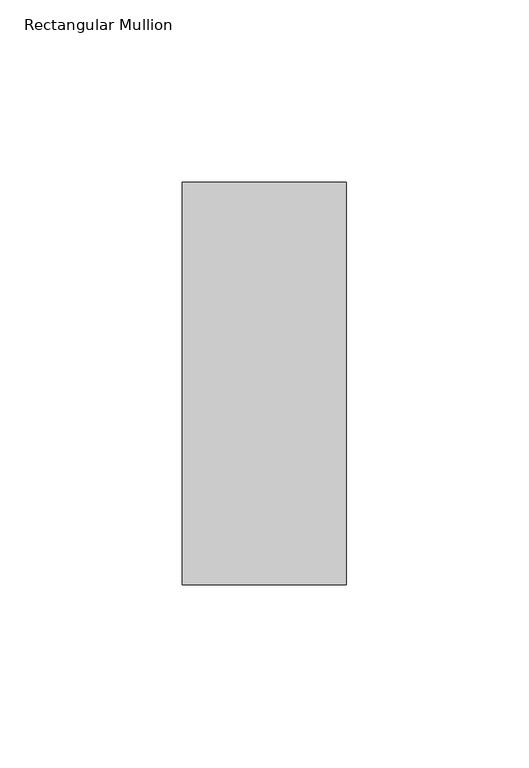
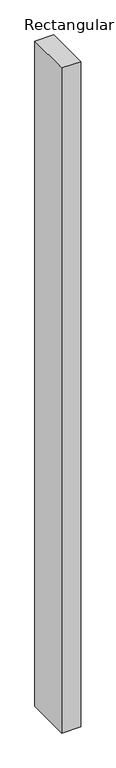
"""IFC4 building model written with IfcOpenShell, lengths in millimetres: member geometry, Rectangular Mullion."""

import ifcopenshell
import ifcopenshell.guid

model = None  # the IFC model being written
_history = None  # IfcOwnerHistory: only IFC2X3 demands one
_inside = {}  # id of a spatial element -> (the spatial element, [elements in it])
_under = {}  # id of a project, library or spatial element -> (it, [spatial elements below it])
_declared = {}  # id of a project -> (the project, [libraries it declares])
_typed = {}  # id of a type object -> (the type object, [elements of that type])
_made_of = {}  # id of a material, layer set ... -> (it, [elements and type objects made of it])


def new_model(schema):
    """Start an empty IFC model of exactly this schema.

    Asked for "IFC4X3", IfcOpenShell would pick the latest addendum, in which some entities
    have other attributes; the version numbers below select the first issue.
    IFC2X3 requires an IfcOwnerHistory on every rooted entity: one is made here for all.
    """
    global model, _history
    if schema == "IFC4X3":
        model = ifcopenshell.file(schema_version=(4, 3, 0, 0))
    else:
        model = ifcopenshell.file(schema=schema)
    _inside.clear()
    _under.clear()
    _declared.clear()
    _typed.clear()
    _made_of.clear()
    _history = None
    if model.schema == "IFC2X3":
        org = make("IfcOrganization", Name="unknown")
        user = make(
            "IfcPersonAndOrganization",
            ThePerson=make("IfcPerson", FamilyName="unknown"),
            TheOrganization=org,
        )
        app = make(
            "IfcApplication",
            ApplicationDeveloper=org,
            Version="unknown",
            ApplicationFullName="unknown",
            ApplicationIdentifier="unknown",
        )
        _history = make(
            "IfcOwnerHistory",
            OwningUser=user,
            OwningApplication=app,
            ChangeAction="ADDED",
            CreationDate=0,
        )
    return model


def make(cls, **values):
    """One entity of the class cls with the attributes given. An attribute that is None is left unset."""
    return model.create_entity(
        cls, **{name: value for name, value in values.items() if value is not None}
    )


def rooted(cls, **values):
    """An entity with a GlobalId (a new one), such as an element, a storey or a relation."""
    return make(cls, GlobalId=ifcopenshell.guid.new(), OwnerHistory=_history, **values)


def si_unit(unit_type, name, prefix=None):
    """IfcSIUnit, for example si_unit("LENGTHUNIT", "METRE", prefix="MILLI")."""
    return make("IfcSIUnit", UnitType=unit_type, Prefix=prefix, Name=name)


def assignment(units):
    """IfcUnitAssignment: the units of a project."""
    return None if units is None else make("IfcUnitAssignment", Units=units)


def point(xyz):
    """IfcCartesianPoint."""
    return None if xyz is None else make("IfcCartesianPoint", Coordinates=xyz)


def direction(xyz):
    """IfcDirection."""
    return None if xyz is None else make("IfcDirection", DirectionRatios=xyz)


def frame(location, z_axis=None, x_axis=None):
    """IfcAxis2Placement3D, a coordinate frame: its origin and axes. An axis left out is left unset."""
    return make(
        "IfcAxis2Placement3D",
        Location=point(location),
        Axis=direction(z_axis),
        RefDirection=direction(x_axis),
    )


def origin():
    """The frame at (0, 0, 0) with its axes left unset."""
    return frame((0.0, 0.0, 0.0))


def place(relative_to, where):
    """IfcLocalPlacement: puts the frame where relative to a parent placement (None: the world)."""
    return make(
        "IfcLocalPlacement", PlacementRelTo=relative_to, RelativePlacement=where
    )


def context(
    kind, dimensions, precision=None, world=None, true_north=None, identifier=None
):
    """IfcGeometricRepresentationContext, for example the 3D "Model" context."""
    return make(
        "IfcGeometricRepresentationContext",
        ContextIdentifier=identifier,
        ContextType=kind,
        CoordinateSpaceDimension=dimensions,
        Precision=precision,
        WorldCoordinateSystem=world,
        TrueNorth=true_north,
    )


def project(units=None, contexts=None):
    """IfcProject with its units and contexts."""
    return rooted(
        "IfcProject",
        Name="project",
        RepresentationContexts=contexts,
        UnitsInContext=assignment(units),
    )


def spatial(cls, under=None, at=None, **own):
    """A site, building, storey or space (cls), placed at a placement, below another one or the project."""
    s = rooted(cls, ObjectPlacement=at, **own)
    if under is not None:
        _under.setdefault(under.id(), (under, []))[1].append(s)
    return s


def polyline(points):
    """IfcPolyline through the points."""
    return make("IfcPolyline", Points=[point(p) for p in points])


def outline(outer, holes=None, kind="AREA"):
    """IfcArbitraryClosedProfileDef: a profile drawn as a closed curve; with holes, ...WithVoids."""
    if holes is None:
        return make("IfcArbitraryClosedProfileDef", ProfileType=kind, OuterCurve=outer)
    return make(
        "IfcArbitraryProfileDefWithVoids",
        ProfileType=kind,
        OuterCurve=outer,
        InnerCurves=holes,
    )


def extrude(swept, where, along, depth):
    """IfcExtrudedAreaSolid: the profile swept, set in the frame where, extruded along a direction by depth."""
    return make(
        "IfcExtrudedAreaSolid",
        SweptArea=swept,
        Position=where,
        ExtrudedDirection=direction(along),
        Depth=depth,
    )


def shape(context_of_items, identifier, shape_type, items):
    """IfcShapeRepresentation: the items that make up one representation, for example the "Body"."""
    return make(
        "IfcShapeRepresentation",
        ContextOfItems=context_of_items,
        RepresentationIdentifier=identifier,
        RepresentationType=shape_type,
        Items=items,
    )


def source(mapping_origin, context_of_items, identifier, shape_type, items):
    """IfcRepresentationMap: a shape defined once, which mapped items show again and again."""
    return make(
        "IfcRepresentationMap",
        MappingOrigin=mapping_origin,
        MappedRepresentation=shape(context_of_items, identifier, shape_type, items),
    )


def transform(
    local_origin,
    x_axis=None,
    y_axis=None,
    z_axis=None,
    scale=None,
    scale2=None,
    scale3=None,
    uniform=True,
):
    """IfcCartesianTransformationOperator3D, or its non-uniform kind. x_axis, y_axis, z_axis: its Axis1, 2, 3."""
    if uniform:
        return make(
            "IfcCartesianTransformationOperator3D",
            Axis1=direction(x_axis),
            Axis2=direction(y_axis),
            LocalOrigin=point(local_origin),
            Scale=scale,
            Axis3=direction(z_axis),
        )
    return make(
        "IfcCartesianTransformationOperator3DnonUniform",
        Axis1=direction(x_axis),
        Axis2=direction(y_axis),
        LocalOrigin=point(local_origin),
        Scale=scale,
        Axis3=direction(z_axis),
        Scale2=scale2,
        Scale3=scale3,
    )


def mapped(mapping_source, mapping_target):
    """IfcMappedItem: shows the shape of a source again, moved by a transform."""
    return make(
        "IfcMappedItem", MappingSource=mapping_source, MappingTarget=mapping_target
    )


def made_of(thing, what):
    """Note that an element or type object is made of a material, layer set ...; save() writes the relation."""
    if what is not None:
        _made_of.setdefault(what.id(), (what, []))[1].append(thing)
    return thing


def element(
    cls,
    number,
    at=None,
    inside=None,
    cuts=None,
    type_object=None,
    material=None,
    context=None,
    identifier="Body",
    shape_type=None,
    held_by="IfcProductDefinitionShape",
    body=None,
    shapes=None,
    **own,
):
    """One element of the class cls, such as IfcWall. Its Tag is "e" and its number.

    at: its placement. inside: the storey or other place that contains it. cuts: it is an
    opening in that element (IfcRelVoidsElement). A single representation is given by context,
    identifier, shape_type and body (its items); several are given by shapes. held_by: the class
    of the entity that holds the representations. save() writes the other relations.
    """
    e = rooted(cls, Tag="e%d" % number, ObjectPlacement=at, **own)
    if body is not None:
        shapes = [shape(context, identifier, shape_type, body)]
    if shapes is not None:
        e.Representation = make(held_by, Representations=shapes)
    if inside is not None:
        _inside.setdefault(inside.id(), (inside, []))[1].append(e)
    if cuts is not None:
        rooted(
            "IfcRelVoidsElement", RelatingBuildingElement=cuts, RelatedOpeningElement=e
        )
    if type_object is not None:
        _typed.setdefault(type_object.id(), (type_object, []))[1].append(e)
    return made_of(e, material)


def aggregate(whole, parts):
    """IfcRelAggregates: a whole, such as a stair, and the parts it consists of."""
    return rooted("IfcRelAggregates", RelatingObject=whole, RelatedObjects=parts)


def save(model, path):
    """Write the relations noted so far, then the file.

    IfcRelAggregates (storeys below a building ...), IfcRelContainedInSpatialStructure (elements
    in a storey), IfcRelDefinesByType, IfcRelAssociatesMaterial and IfcRelDeclares: one each for
    every whole, place, type object, material and project.
    """
    for whole, parts in _under.values():
        aggregate(whole, parts)
    for where, things in _inside.values():
        rooted(
            "IfcRelContainedInSpatialStructure",
            RelatedElements=things,
            RelatingStructure=where,
        )
    for kind, things in _typed.values():
        rooted("IfcRelDefinesByType", RelatedObjects=things, RelatingType=kind)
    for what, things in _made_of.values():
        rooted("IfcRelAssociatesMaterial", RelatedObjects=things, RelatingMaterial=what)
    for by, libraries in _declared.values():
        rooted("IfcRelDeclares", RelatingContext=by, RelatedDefinitions=libraries)
    model.write(path)


def rectangular_mullion_3daf0be3(model_context):
    return source(origin(), model_context, "Body", "SweptSolid", [
        extrude(outline(polyline([(-45.0, 70.7), (0.0, 70.7), (0.0, -39.7), (-45.0, -39.7), (-45.0, 70.7)])), frame((0.0, 0.0, -1669.7807424), z_axis=(0.0, 0.0, 1.0), x_axis=(1.0, 0.0, 0.0)), (0.0, 0.0, 1.0), 1669.7807424),
    ])


if __name__ == "__main__":
    model = new_model("IFC4")
    model_context = context("Model", 3, world=origin())
    ifc_project = project(units=[si_unit("LENGTHUNIT", "METRE", prefix="MILLI")], contexts=[model_context])
    site = spatial("IfcSite", under=ifc_project)
    building = spatial("IfcBuilding", under=site)
    placement = place(None, origin())
    rectangular_mullion_shape = rectangular_mullion_3daf0be3(model_context)
    element("IfcMember", 1, ObjectType="Rectangular Mullion", at=placement, inside=building, context=model_context, shape_type="MappedRepresentation", body=[
        mapped(rectangular_mullion_shape, transform((0.0, 0.0, 0.0), x_axis=(1.0, 0.0, 0.0), y_axis=(0.0, 1.0, 0.0), z_axis=(0.0, 0.0, 1.0))),
    ])
    save(model, "model.ifc")
